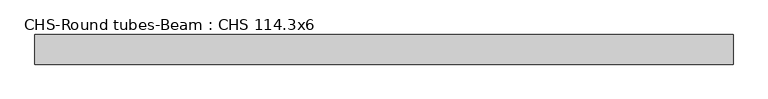
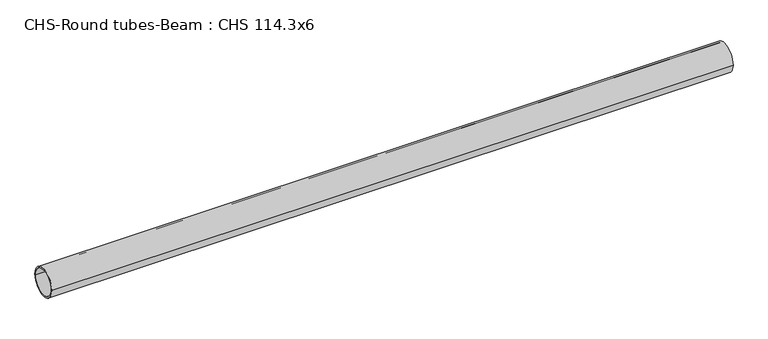
"""IFC4 building model written with IfcOpenShell, lengths in millimetres: beam geometry, CHS-Round tubes-Beam : CHS 114.3x6."""

from ifc_helpers import new_model, si_unit, point, frame, origin, origin_2d, place, context, project, spatial, circle_curve, trimmed, segment, composite_curve, outline, extrude, source, transform, mapped, element, save


def chs_round_tubes_beam_chs_114_3x6_83640dd1(model_context):
    return source(origin(), model_context, "Body", "SweptSolid", [
        extrude(outline(composite_curve([segment(trimmed(circle_curve(origin_2d(), 57.15), [point((57.15, 0.0))], [point((-57.15, 0.0))], False, "CARTESIAN"), True, "CONTINUOUS"), segment(trimmed(circle_curve(origin_2d(), 57.15), [point((-57.15, 0.0))], [point((57.15, 0.0))], False, "CARTESIAN"), True, "CONTINUOUS")], self_intersect=False), holes=[composite_curve([segment(trimmed(circle_curve(origin_2d(), 51.15), [point((51.15, 0.0))], [point((-51.15, 0.0))], True, "CARTESIAN"), True, "CONTINUOUS"), segment(trimmed(circle_curve(origin_2d(), 51.15), [point((-51.15, 0.0))], [point((51.15, 0.0))], True, "CARTESIAN"), True, "CONTINUOUS")], self_intersect=False)]), frame((-1347.5159148, 0.0, 0.0), z_axis=(1.0, 0.0, 0.0), x_axis=(0.0, 1.0, 0.0)), (0.0, 0.0, 1.0), 2689.9986627),
    ])


if __name__ == "__main__":
    model = new_model("IFC4")
    model_context = context("Model", 3, world=origin())
    ifc_project = project(units=[si_unit("LENGTHUNIT", "METRE", prefix="MILLI")], contexts=[model_context])
    site = spatial("IfcSite", under=ifc_project)
    building = spatial("IfcBuilding", under=site)
    placement = place(None, origin())
    chs_round_tubes_beam_chs_114_3x6_shape = chs_round_tubes_beam_chs_114_3x6_83640dd1(model_context)
    element("IfcBeam", 1, ObjectType="CHS-Round tubes-Beam : CHS 114.3x6", at=placement, inside=building, context=model_context, shape_type="MappedRepresentation", body=[
        mapped(chs_round_tubes_beam_chs_114_3x6_shape, transform((0.0, 0.0, 0.0), x_axis=(1.0, 0.0, 0.0), y_axis=(0.0, 1.0, 0.0), z_axis=(0.0, 0.0, 1.0))),
    ])
    save(model, "model.ifc")
